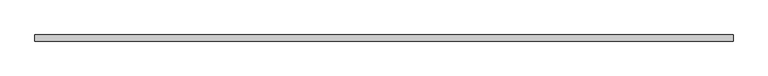
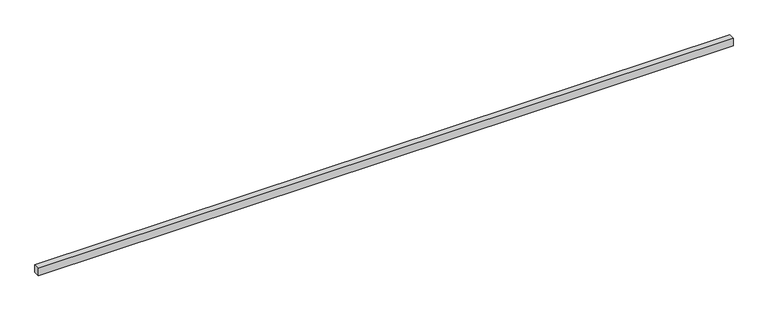
"""IFC4 building model written with IfcOpenShell, lengths in millimetres: proxy geometry."""

from ifc_helpers import new_model, si_unit, frame, origin, place, context, project, spatial, polyline, outline, extrude, source, transform, mapped, element, save


def generic_models_786b159a(model_context):
    return source(origin(), model_context, "Body", "SweptSolid", [
        extrude(outline(polyline([(40.0, 0.0), (-40.0, 0.0), (-40.0, 9127.3493345), (40.0, 9127.3493345), (40.0, 0.0)])), frame((9127.3493345, 0.0, 0.0), z_axis=(0.0, -1.9783474858313244e-12, 1.0), x_axis=(0.0, 1.0, 1.9783474858313244e-12)), (0.0, 0.0, 1.0), 100.0),
    ])


if __name__ == "__main__":
    model = new_model("IFC4")
    model_context = context("Model", 3, world=origin())
    ifc_project = project(units=[si_unit("LENGTHUNIT", "METRE", prefix="MILLI")], contexts=[model_context])
    site = spatial("IfcSite", under=ifc_project)
    building = spatial("IfcBuilding", under=site)
    placement = place(None, origin())
    generic_models_shape = generic_models_786b159a(model_context)
    element("IfcBuildingElementProxy", 1, Name="Generic Models", at=placement, inside=building, context=model_context, shape_type="MappedRepresentation", body=[
        mapped(generic_models_shape, transform((0.0, 0.0, 0.0), x_axis=(1.0, 0.0, 0.0), y_axis=(0.0, 1.0, 0.0), z_axis=(0.0, 0.0, 1.0))),
    ])
    save(model, "model.ifc")
